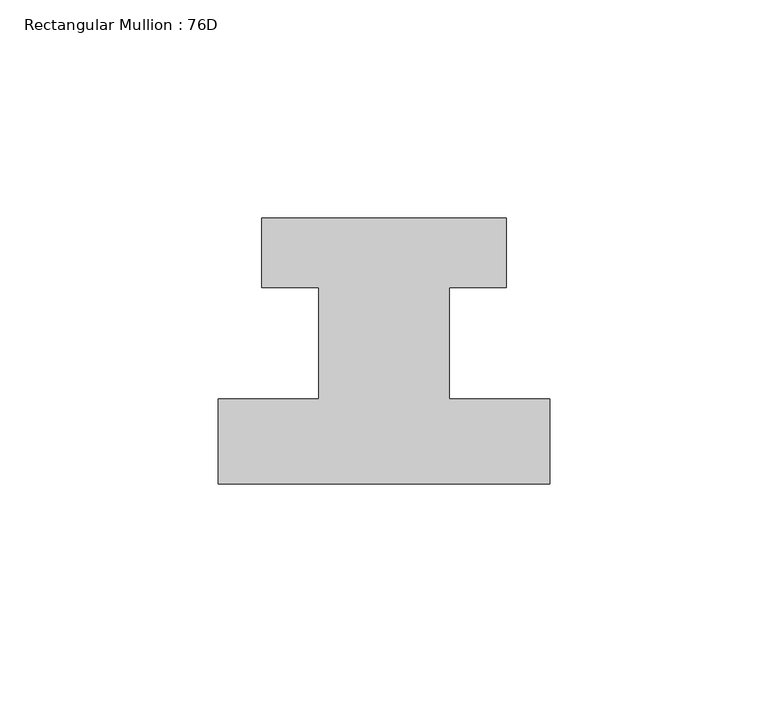
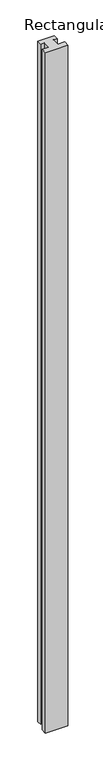
"""IFC4 building model written with IfcOpenShell, lengths in millimetres: member geometry, Rectangular Mullion : 76D."""

from ifc_helpers import new_model, si_unit, frame, origin, place, context, project, spatial, polyline, outline, extrude, source, transform, mapped, element, save


def rectangular_mullion_76d_abf3fedc(model_context):
    return source(origin(), model_context, "Body", "SweptSolid", [
        extrude(outline(polyline([(38.0, -20.0), (-38.0, -20.0), (-38.0, -0.5), (-15.0, -0.5), (-15.0, 25.0), (-28.0, 25.0), (-28.0, 41.0), (28.0, 41.0), (28.0, 25.0), (15.0, 25.0), (15.0, -0.5), (38.0, -0.5), (38.0, -20.0)])), frame((0.0, 0.0, -2424.0), z_axis=(0.0, 0.0, 1.0), x_axis=(1.0, 0.0, 0.0)), (0.0, 0.0, 1.0), 2424.0),
    ])


if __name__ == "__main__":
    model = new_model("IFC4")
    model_context = context("Model", 3, world=origin())
    ifc_project = project(units=[si_unit("LENGTHUNIT", "METRE", prefix="MILLI")], contexts=[model_context])
    site = spatial("IfcSite", under=ifc_project)
    building = spatial("IfcBuilding", under=site)
    placement = place(None, origin())
    rectangular_mullion_76d_shape = rectangular_mullion_76d_abf3fedc(model_context)
    element("IfcMember", 1, ObjectType="Rectangular Mullion : 76D", at=placement, inside=building, context=model_context, shape_type="MappedRepresentation", body=[
        mapped(rectangular_mullion_76d_shape, transform((0.0, 0.0, 0.0), x_axis=(1.0, 0.0, 0.0), y_axis=(0.0, 1.0, 0.0), z_axis=(0.0, 0.0, 1.0))),
    ])
    save(model, "model.ifc")
